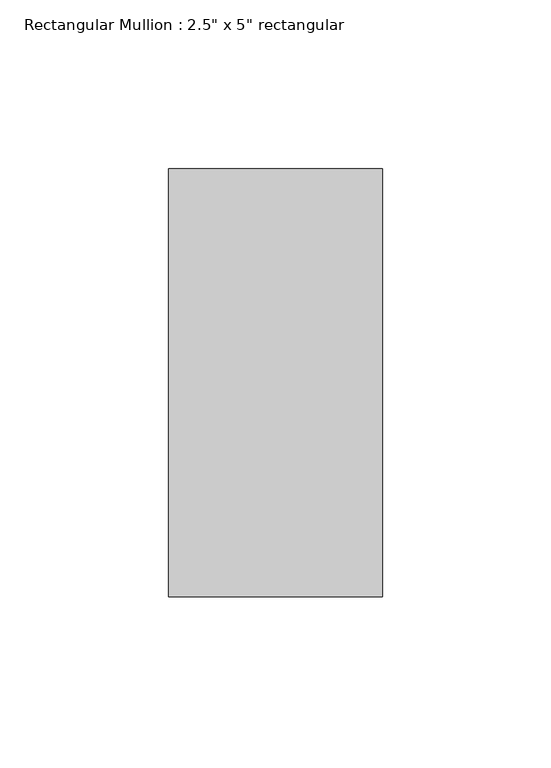
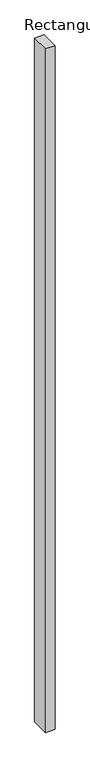
"""IFC4 building model written with IfcOpenShell, lengths in millimetres: member geometry."""

from ifc_helpers import new_model, si_unit, frame, origin, place, context, project, spatial, polyline, outline, extrude, source, transform, mapped, element, save


def member_fc9bce7c(model_context):
    return source(origin(), model_context, "Body", "SweptSolid", [
        extrude(outline(polyline([(0.0, 63.5), (0.0, -63.5), (-63.5, -63.5), (-63.5, 63.5), (0.0, 63.5)])), frame((0.0, 0.0, -4876.8), z_axis=(0.0, 0.0, 1.0), x_axis=(1.0, 0.0, 0.0)), (0.0, 0.0, 1.0), 4876.8),
    ])


if __name__ == "__main__":
    model = new_model("IFC4")
    model_context = context("Model", 3, world=origin())
    ifc_project = project(units=[si_unit("LENGTHUNIT", "METRE", prefix="MILLI")], contexts=[model_context])
    site = spatial("IfcSite", under=ifc_project)
    building = spatial("IfcBuilding", under=site)
    placement = place(None, origin())
    member_shape = member_fc9bce7c(model_context)
    element("IfcMember", 1, ObjectType="Rectangular Mullion : 2.5\" x 5\" rectangular", at=placement, inside=building, context=model_context, shape_type="MappedRepresentation", body=[
        mapped(member_shape, transform((0.0, 0.0, 0.0), x_axis=(1.0, 0.0, 0.0), y_axis=(0.0, 1.0, 0.0), z_axis=(0.0, 0.0, 1.0))),
    ])
    save(model, "model.ifc")
